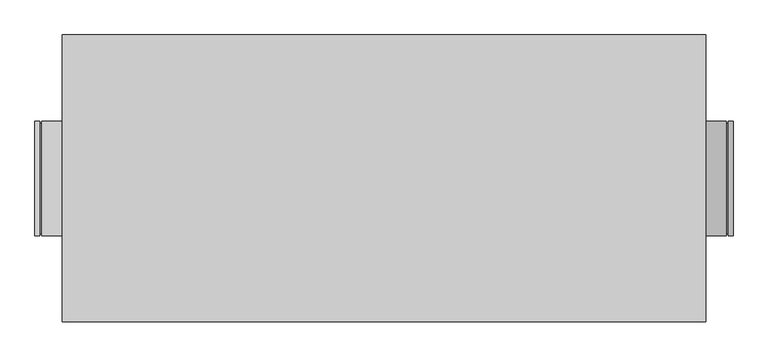
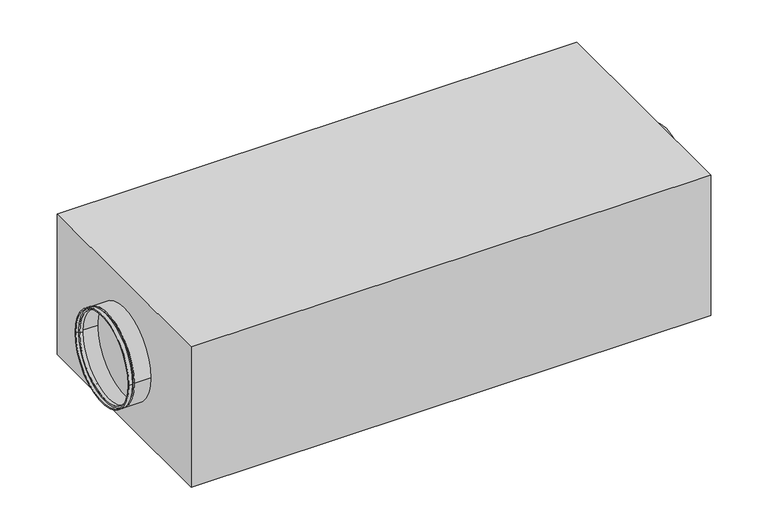
"""IFC4 building model written with IfcOpenShell, lengths in millimetres: proxy geometry."""

import ifcopenshell
import ifcopenshell.guid

model = None  # the IFC model being written
_history = None  # IfcOwnerHistory: only IFC2X3 demands one
_inside = {}  # id of a spatial element -> (the spatial element, [elements in it])
_under = {}  # id of a project, library or spatial element -> (it, [spatial elements below it])
_declared = {}  # id of a project -> (the project, [libraries it declares])
_typed = {}  # id of a type object -> (the type object, [elements of that type])
_made_of = {}  # id of a material, layer set ... -> (it, [elements and type objects made of it])


def new_model(schema):
    """Start an empty IFC model of exactly this schema.

    Asked for "IFC4X3", IfcOpenShell would pick the latest addendum, in which some entities
    have other attributes; the version numbers below select the first issue.
    IFC2X3 requires an IfcOwnerHistory on every rooted entity: one is made here for all.
    """
    global model, _history
    if schema == "IFC4X3":
        model = ifcopenshell.file(schema_version=(4, 3, 0, 0))
    else:
        model = ifcopenshell.file(schema=schema)
    _inside.clear()
    _under.clear()
    _declared.clear()
    _typed.clear()
    _made_of.clear()
    _history = None
    if model.schema == "IFC2X3":
        org = make("IfcOrganization", Name="unknown")
        user = make(
            "IfcPersonAndOrganization",
            ThePerson=make("IfcPerson", FamilyName="unknown"),
            TheOrganization=org,
        )
        app = make(
            "IfcApplication",
            ApplicationDeveloper=org,
            Version="unknown",
            ApplicationFullName="unknown",
            ApplicationIdentifier="unknown",
        )
        _history = make(
            "IfcOwnerHistory",
            OwningUser=user,
            OwningApplication=app,
            ChangeAction="ADDED",
            CreationDate=0,
        )
    return model


def make(cls, **values):
    """One entity of the class cls with the attributes given. An attribute that is None is left unset."""
    return model.create_entity(
        cls, **{name: value for name, value in values.items() if value is not None}
    )


def rooted(cls, **values):
    """An entity with a GlobalId (a new one), such as an element, a storey or a relation."""
    return make(cls, GlobalId=ifcopenshell.guid.new(), OwnerHistory=_history, **values)


def si_unit(unit_type, name, prefix=None):
    """IfcSIUnit, for example si_unit("LENGTHUNIT", "METRE", prefix="MILLI")."""
    return make("IfcSIUnit", UnitType=unit_type, Prefix=prefix, Name=name)


def assignment(units):
    """IfcUnitAssignment: the units of a project."""
    return None if units is None else make("IfcUnitAssignment", Units=units)


def point(xyz):
    """IfcCartesianPoint."""
    return None if xyz is None else make("IfcCartesianPoint", Coordinates=xyz)


def direction(xyz):
    """IfcDirection."""
    return None if xyz is None else make("IfcDirection", DirectionRatios=xyz)


def frame(location, z_axis=None, x_axis=None):
    """IfcAxis2Placement3D, a coordinate frame: its origin and axes. An axis left out is left unset."""
    return make(
        "IfcAxis2Placement3D",
        Location=point(location),
        Axis=direction(z_axis),
        RefDirection=direction(x_axis),
    )


def origin():
    """The frame at (0, 0, 0) with its axes left unset."""
    return frame((0.0, 0.0, 0.0))


def origin_with_axes():
    """The frame at (0, 0, 0) with the z axis (0, 0, 1) and the x axis (1, 0, 0) written out."""
    return frame((0.0, 0.0, 0.0), z_axis=(0.0, 0.0, 1.0), x_axis=(1.0, 0.0, 0.0))


def place(relative_to, where):
    """IfcLocalPlacement: puts the frame where relative to a parent placement (None: the world)."""
    return make(
        "IfcLocalPlacement", PlacementRelTo=relative_to, RelativePlacement=where
    )


def context(
    kind, dimensions, precision=None, world=None, true_north=None, identifier=None
):
    """IfcGeometricRepresentationContext, for example the 3D "Model" context."""
    return make(
        "IfcGeometricRepresentationContext",
        ContextIdentifier=identifier,
        ContextType=kind,
        CoordinateSpaceDimension=dimensions,
        Precision=precision,
        WorldCoordinateSystem=world,
        TrueNorth=true_north,
    )


def project(units=None, contexts=None):
    """IfcProject with its units and contexts."""
    return rooted(
        "IfcProject",
        Name="project",
        RepresentationContexts=contexts,
        UnitsInContext=assignment(units),
    )


def spatial(cls, under=None, at=None, **own):
    """A site, building, storey or space (cls), placed at a placement, below another one or the project."""
    s = rooted(cls, ObjectPlacement=at, **own)
    if under is not None:
        _under.setdefault(under.id(), (under, []))[1].append(s)
    return s


def polyline(points):
    """IfcPolyline through the points."""
    return make("IfcPolyline", Points=[point(p) for p in points])


def circle_curve(where, radius):
    """IfcCircle in the frame where."""
    return make("IfcCircle", Position=where, Radius=radius)


def outline(outer, holes=None, kind="AREA"):
    """IfcArbitraryClosedProfileDef: a profile drawn as a closed curve; with holes, ...WithVoids."""
    if holes is None:
        return make("IfcArbitraryClosedProfileDef", ProfileType=kind, OuterCurve=outer)
    return make(
        "IfcArbitraryProfileDefWithVoids",
        ProfileType=kind,
        OuterCurve=outer,
        InnerCurves=holes,
    )


def extrude(swept, where, along, depth):
    """IfcExtrudedAreaSolid: the profile swept, set in the frame where, extruded along a direction by depth."""
    return make(
        "IfcExtrudedAreaSolid",
        SweptArea=swept,
        Position=where,
        ExtrudedDirection=direction(along),
        Depth=depth,
    )


def shape(context_of_items, identifier, shape_type, items):
    """IfcShapeRepresentation: the items that make up one representation, for example the "Body"."""
    return make(
        "IfcShapeRepresentation",
        ContextOfItems=context_of_items,
        RepresentationIdentifier=identifier,
        RepresentationType=shape_type,
        Items=items,
    )


def source(mapping_origin, context_of_items, identifier, shape_type, items):
    """IfcRepresentationMap: a shape defined once, which mapped items show again and again."""
    return make(
        "IfcRepresentationMap",
        MappingOrigin=mapping_origin,
        MappedRepresentation=shape(context_of_items, identifier, shape_type, items),
    )


def transform(
    local_origin,
    x_axis=None,
    y_axis=None,
    z_axis=None,
    scale=None,
    scale2=None,
    scale3=None,
    uniform=True,
):
    """IfcCartesianTransformationOperator3D, or its non-uniform kind. x_axis, y_axis, z_axis: its Axis1, 2, 3."""
    if uniform:
        return make(
            "IfcCartesianTransformationOperator3D",
            Axis1=direction(x_axis),
            Axis2=direction(y_axis),
            LocalOrigin=point(local_origin),
            Scale=scale,
            Axis3=direction(z_axis),
        )
    return make(
        "IfcCartesianTransformationOperator3DnonUniform",
        Axis1=direction(x_axis),
        Axis2=direction(y_axis),
        LocalOrigin=point(local_origin),
        Scale=scale,
        Axis3=direction(z_axis),
        Scale2=scale2,
        Scale3=scale3,
    )


def mapped(mapping_source, mapping_target):
    """IfcMappedItem: shows the shape of a source again, moved by a transform."""
    return make(
        "IfcMappedItem", MappingSource=mapping_source, MappingTarget=mapping_target
    )


def made_of(thing, what):
    """Note that an element or type object is made of a material, layer set ...; save() writes the relation."""
    if what is not None:
        _made_of.setdefault(what.id(), (what, []))[1].append(thing)
    return thing


def element(
    cls,
    number,
    at=None,
    inside=None,
    cuts=None,
    type_object=None,
    material=None,
    context=None,
    identifier="Body",
    shape_type=None,
    held_by="IfcProductDefinitionShape",
    body=None,
    shapes=None,
    **own,
):
    """One element of the class cls, such as IfcWall. Its Tag is "e" and its number.

    at: its placement. inside: the storey or other place that contains it. cuts: it is an
    opening in that element (IfcRelVoidsElement). A single representation is given by context,
    identifier, shape_type and body (its items); several are given by shapes. held_by: the class
    of the entity that holds the representations. save() writes the other relations.
    """
    e = rooted(cls, Tag="e%d" % number, ObjectPlacement=at, **own)
    if body is not None:
        shapes = [shape(context, identifier, shape_type, body)]
    if shapes is not None:
        e.Representation = make(held_by, Representations=shapes)
    if inside is not None:
        _inside.setdefault(inside.id(), (inside, []))[1].append(e)
    if cuts is not None:
        rooted(
            "IfcRelVoidsElement", RelatingBuildingElement=cuts, RelatedOpeningElement=e
        )
    if type_object is not None:
        _typed.setdefault(type_object.id(), (type_object, []))[1].append(e)
    return made_of(e, material)


def aggregate(whole, parts):
    """IfcRelAggregates: a whole, such as a stair, and the parts it consists of."""
    return rooted("IfcRelAggregates", RelatingObject=whole, RelatedObjects=parts)


def save(model, path):
    """Write the relations noted so far, then the file.

    IfcRelAggregates (storeys below a building ...), IfcRelContainedInSpatialStructure (elements
    in a storey), IfcRelDefinesByType, IfcRelAssociatesMaterial and IfcRelDeclares: one each for
    every whole, place, type object, material and project.
    """
    for whole, parts in _under.values():
        aggregate(whole, parts)
    for where, things in _inside.values():
        rooted(
            "IfcRelContainedInSpatialStructure",
            RelatedElements=things,
            RelatingStructure=where,
        )
    for kind, things in _typed.values():
        rooted("IfcRelDefinesByType", RelatedObjects=things, RelatingType=kind)
    for what, things in _made_of.values():
        rooted("IfcRelAssociatesMaterial", RelatedObjects=things, RelatingMaterial=what)
    for by, libraries in _declared.values():
        rooted("IfcRelDeclares", RelatingContext=by, RelatedDefinitions=libraries)
    model.write(path)


def plane_surface(at):
    """IfcPlane: the flat surface through the origin of the frame at, square to its z axis."""
    return make("IfcPlane", Position=at)


def cylinder_surface(at, radius):
    """IfcCylindricalSurface: all points at the distance radius from the z axis of the frame at."""
    return make("IfcCylindricalSurface", Position=at, Radius=radius)


def revolved_surface(curve, axis_point, axis_direction):
    """IfcSurfaceOfRevolution: the curve turned about the line through axis_point along axis_direction."""
    return make(
        "IfcSurfaceOfRevolution",
        SweptCurve=make("IfcArbitraryOpenProfileDef", ProfileType="CURVE", Curve=curve),
        AxisPosition=make("IfcAxis1Placement", Location=point(axis_point), Axis=direction(axis_direction)),
    )


def advanced_brep(points, edges, surfaces, faces):
    """IfcAdvancedBrep: a solid bounded by faces that lie on surfaces and meet in shared edges.

    An edge is (start, end): straight between two places in points (the first is 0);
    or (start, end, curve); or (start, end, curve, False) where it runs against its curve.
    A face is (place in surfaces, loops), or (place, loops, False) where it looks against
    its surface's normal. A loop lists edges by number (the first is 1), with a minus sign
    where the edge is run from its end to its start. The first loop is the outer one.
    """
    corners = [point(p) for p in points]
    vertices = [make("IfcVertexPoint", VertexGeometry=c) for c in corners]
    made = []
    for start, end, *more in edges:
        made.append(
            make(
                "IfcEdgeCurve",
                EdgeStart=vertices[start],
                EdgeEnd=vertices[end],
                EdgeGeometry=more[0] if more else make("IfcPolyline", Points=[corners[start], corners[end]]),
                SameSense=more[1] if len(more) > 1 else True,
            )
        )
    hull = []
    for where, loops, *sense in faces:
        bounds = []
        for j, loop in enumerate(loops):
            ring = [make("IfcOrientedEdge", EdgeElement=made[abs(k) - 1], Orientation=k > 0) for k in loop]
            bounds.append(
                make(
                    "IfcFaceOuterBound" if j == 0 else "IfcFaceBound",
                    Bound=make("IfcEdgeLoop", EdgeList=ring),
                    Orientation=True,
                )
            )
        hull.append(make("IfcAdvancedFace", Bounds=bounds, FaceSurface=surfaces[where], SameSense=sense[0] if sense else True))
    return make("IfcAdvancedBrep", Outer=make("IfcClosedShell", CfsFaces=hull))


def mechanical_equipment_622d92b7(model_context):
    return source(origin(), model_context, "Body", "SolidModel", [
        advanced_brep(
        [(-750.0, 125.0, 198.0), (-750.0, -125.0, 198.0), (-760.0, -125.0, 198.0), (-760.0, 125.0, 198.0), (-750.0, 120.0, 198.0), (-750.0, -120.0, 198.0), (-745.0, 120.0, 198.0), (-745.0, -120.0, 198.0), (-745.0, 125.0, 198.0), (-745.0, -125.0, 198.0), (-700.0, 125.0, 198.0), (-700.0, -125.0, 198.0), (-700.0, 123.0, 198.0), (-700.0, -123.0, 198.0), (-743.0, 123.0, 198.0), (-743.0, -123.0, 198.0), (-743.0, 118.0, 198.0), (-743.0, -118.0, 198.0), (-752.0, 118.0, 198.0), (-752.0, -118.0, 198.0), (-752.0, 123.0, 198.0), (-752.0, -123.0, 198.0), (-760.0, 123.0, 198.0), (-760.0, -123.0, 198.0)],
        [
            (0, 1, circle_curve(frame((-750.0, 0.0, 198.0), z_axis=(-1.0, 0.0, 0.0), x_axis=(0.0, -1.0000000000000009, 0.0)), 125.0)),
            (1, 2),
            (2, 3, circle_curve(frame((-760.0, 0.0, 198.0), z_axis=(1.0, 0.0, 0.0), x_axis=(0.0, -1.0000000000000009, 0.0)), 125.0)),
            (3, 0),
            (1, 0, circle_curve(frame((-750.0, 0.0, 198.0), z_axis=(-1.0, 0.0, 0.0), x_axis=(0.0, -1.0000000000000009, 0.0)), 125.0)),
            (3, 2, circle_curve(frame((-760.0, 0.0, 198.0), z_axis=(1.0, 0.0, 0.0), x_axis=(0.0, -1.0000000000000009, 0.0)), 125.0)),
            (4, 5, circle_curve(frame((-750.0, 0.0, 198.0), z_axis=(-1.0, 0.0, 0.0), x_axis=(0.0, -1.0000000000000009, 0.0)), 120.0)),
            (5, 1),
            (0, 4),
            (5, 4, circle_curve(frame((-750.0, 0.0, 198.0), z_axis=(-1.0, 0.0, 0.0), x_axis=(0.0, -1.0000000000000009, 0.0)), 120.0)),
            (6, 7, circle_curve(frame((-745.0, 0.0, 198.0), z_axis=(-1.0, 0.0, 0.0), x_axis=(0.0, -1.0000000000000009, 0.0)), 120.0)),
            (7, 5),
            (4, 6),
            (7, 6, circle_curve(frame((-745.0, 0.0, 198.0), z_axis=(-1.0, 0.0, 0.0), x_axis=(0.0, -1.0000000000000009, 0.0)), 120.0)),
            (8, 9, circle_curve(frame((-745.0, 0.0, 198.0), z_axis=(-1.0, 0.0, 0.0), x_axis=(0.0, -1.0000000000000009, 0.0)), 125.0)),
            (9, 7),
            (6, 8),
            (9, 8, circle_curve(frame((-745.0, 0.0, 198.0), z_axis=(-1.0, 0.0, 0.0), x_axis=(0.0, -1.0000000000000009, 0.0)), 125.0)),
            (10, 11, circle_curve(frame((-700.0, 0.0, 198.0), z_axis=(-1.0, 0.0, 0.0), x_axis=(0.0, -1.0000000000000009, 0.0)), 125.0)),
            (11, 9),
            (8, 10),
            (11, 10, circle_curve(frame((-700.0, 0.0, 198.0), z_axis=(-1.0, 0.0, 0.0), x_axis=(0.0, -1.0000000000000009, 0.0)), 125.0)),
            (12, 13, circle_curve(frame((-700.0, 0.0, 198.0), z_axis=(-1.0, 0.0, 0.0), x_axis=(0.0, -1.0000000000000009, 0.0)), 123.0)),
            (13, 11),
            (10, 12),
            (13, 12, circle_curve(frame((-700.0, 0.0, 198.0), z_axis=(-1.0, 0.0, 0.0), x_axis=(0.0, -1.0000000000000009, 0.0)), 123.0)),
            (14, 15, circle_curve(frame((-743.0, 0.0, 198.0), z_axis=(-1.0, 0.0, 0.0), x_axis=(0.0, -1.0000000000000009, 0.0)), 123.0)),
            (15, 13),
            (12, 14),
            (15, 14, circle_curve(frame((-743.0, 0.0, 198.0), z_axis=(-1.0, 0.0, 0.0), x_axis=(0.0, -1.0000000000000009, 0.0)), 123.0)),
            (16, 17, circle_curve(frame((-743.0, 0.0, 198.0), z_axis=(-1.0, 0.0, 0.0), x_axis=(0.0, -1.0000000000000009, 0.0)), 118.0)),
            (17, 15),
            (14, 16),
            (17, 16, circle_curve(frame((-743.0, 0.0, 198.0), z_axis=(-1.0, 0.0, 0.0), x_axis=(0.0, -1.0000000000000009, 0.0)), 118.0)),
            (18, 19, circle_curve(frame((-752.0, 0.0, 198.0), z_axis=(-1.0, 0.0, 0.0), x_axis=(0.0, -1.0000000000000009, 0.0)), 118.0)),
            (19, 17),
            (16, 18),
            (19, 18, circle_curve(frame((-752.0, 0.0, 198.0), z_axis=(-1.0, 0.0, 0.0), x_axis=(0.0, -1.0000000000000009, 0.0)), 118.0)),
            (20, 21, circle_curve(frame((-752.0, 0.0, 198.0), z_axis=(-1.0, 0.0, 0.0), x_axis=(0.0, -1.0000000000000009, 0.0)), 123.0)),
            (21, 19),
            (18, 20),
            (21, 20, circle_curve(frame((-752.0, 0.0, 198.0), z_axis=(-1.0, 0.0, 0.0), x_axis=(0.0, -1.0000000000000009, 0.0)), 123.0)),
            (22, 23, circle_curve(frame((-760.0, 0.0, 198.0), z_axis=(-1.0, 0.0, 0.0), x_axis=(0.0, -1.0000000000000009, 0.0)), 123.0)),
            (23, 21),
            (20, 22),
            (23, 22, circle_curve(frame((-760.0, 0.0, 198.0), z_axis=(-1.0, 0.0, 0.0), x_axis=(0.0, -1.0000000000000009, 0.0)), 123.0)),
            (2, 23),
            (22, 3),
        ],
        [
            cylinder_surface(frame((-2295.0440172, 0.0, 198.0), z_axis=(1.0000000000000004, 0.0, 0.0), x_axis=(0.0, -1.0000000000000009, 0.0)), 125.0),
            plane_surface(frame((-750.0, 0.0, 198.0), z_axis=(1.0, 0.0, 0.0), x_axis=(0.0, -1.0, 0.0))),
            cylinder_surface(frame((-2295.0440172, 0.0, 198.0), z_axis=(1.0000000000000004, 0.0, 0.0), x_axis=(0.0, -1.0000000000000009, 0.0)), 120.0),
            plane_surface(frame((-745.0, 0.0, 198.0), z_axis=(-1.0, 0.0, 0.0), x_axis=(0.0, -1.0, 0.0))),
            plane_surface(frame((-700.0, 0.0, 198.0), z_axis=(1.0, 0.0, 0.0), x_axis=(0.0, -1.0, 0.0))),
            revolved_surface(polyline([(-699.9999999999986, -123.00000000000011, 198.0), (-742.9999999999986, -123.00000000000011, 198.0)]), (-2295.0440172, 0.0, 198.0), (1.0000000000000004, 0.0, 0.0)),
            plane_surface(frame((-743.0, 0.0, 198.0), z_axis=(1.0, 0.0, 0.0), x_axis=(0.0, -1.0, 0.0))),
            revolved_surface(polyline([(-742.9999999999986, -118.0000000000001, 198.0), (-751.9999999999986, -118.0000000000001, 198.0)]), (-2295.0440172, 0.0, 198.0), (1.0000000000000004, 0.0, 0.0)),
            plane_surface(frame((-752.0, 0.0, 198.0), z_axis=(-1.0, 0.0, 0.0), x_axis=(0.0, -1.0, 0.0))),
            revolved_surface(polyline([(-751.9999999999986, -123.00000000000011, 198.0), (-759.9999999999986, -123.00000000000011, 198.0)]), (-2295.0440172, 0.0, 198.0), (1.0000000000000004, 0.0, 0.0)),
            plane_surface(frame((-760.0, 0.0, 198.0), z_axis=(-1.0, 0.0, 0.0), x_axis=(0.0, -1.0, 0.0))),
        ],
        [
            (0, [[1, 2, 3, 4]]),
            (0, [[5, -4, 6, -2]]),
            (1, [[7, 8, -1, 9]]),
            (1, [[10, -9, -5, -8]]),
            (2, [[11, 12, -7, 13]]),
            (2, [[14, -13, -10, -12]]),
            (3, [[15, 16, -11, 17]]),
            (3, [[18, -17, -14, -16]]),
            (0, [[19, 20, -15, 21]]),
            (0, [[22, -21, -18, -20]]),
            (4, [[23, 24, -19, 25]]),
            (4, [[26, -25, -22, -24]]),
            (5, [[27, 28, -23, 29]]),
            (5, [[30, -29, -26, -28]]),
            (6, [[31, 32, -27, 33]]),
            (6, [[34, -33, -30, -32]]),
            (7, [[35, 36, -31, 37]]),
            (7, [[38, -37, -34, -36]]),
            (8, [[39, 40, -35, 41]]),
            (8, [[42, -41, -38, -40]]),
            (9, [[43, 44, -39, 45]]),
            (9, [[46, -45, -42, -44]]),
            (10, [[-3, 47, -43, 48]]),
            (10, [[-6, -48, -46, -47]]),
        ],
    ),
        advanced_brep(
        [(750.0, -125.0, 198.0), (750.0, 125.0, 198.0), (760.0, 125.0, 198.0), (760.0, -125.0, 198.0), (750.0, -120.0, 198.0), (750.0, 120.0, 198.0), (745.0, -120.0, 198.0), (745.0, 120.0, 198.0), (745.0, -125.0, 198.0), (745.0, 125.0, 198.0), (700.0, -125.0, 198.0), (700.0, 125.0, 198.0), (700.0, -123.0, 198.0), (700.0, 123.0, 198.0), (743.0, -123.0, 198.0), (743.0, 123.0, 198.0), (743.0, -118.0, 198.0), (743.0, 118.0, 198.0), (752.0, -118.0, 198.0), (752.0, 118.0, 198.0), (752.0, -123.0, 198.0), (752.0, 123.0, 198.0), (760.0, -123.0, 198.0), (760.0, 123.0, 198.0)],
        [
            (0, 1, circle_curve(frame((750.0, 0.0, 198.0), z_axis=(1.0, 0.0, 0.0), x_axis=(0.0, 1.0, 0.0)), 125.0)),
            (1, 2),
            (2, 3, circle_curve(frame((760.0, 0.0, 198.0), z_axis=(-1.0, 0.0, 0.0), x_axis=(0.0, 1.0, 0.0)), 125.0)),
            (3, 0),
            (1, 0, circle_curve(frame((750.0, 0.0, 198.0), z_axis=(1.0, 0.0, 0.0), x_axis=(0.0, 1.0, 0.0)), 125.0)),
            (3, 2, circle_curve(frame((760.0, 0.0, 198.0), z_axis=(-1.0, 0.0, 0.0), x_axis=(0.0, 1.0, 0.0)), 125.0)),
            (4, 5, circle_curve(frame((750.0, 0.0, 198.0), z_axis=(1.0, 0.0, 0.0), x_axis=(0.0, 1.0, 0.0)), 120.0)),
            (5, 1),
            (0, 4),
            (5, 4, circle_curve(frame((750.0, 0.0, 198.0), z_axis=(1.0, 0.0, 0.0), x_axis=(0.0, 1.0, 0.0)), 120.0)),
            (6, 7, circle_curve(frame((745.0, 0.0, 198.0), z_axis=(1.0, 0.0, 0.0), x_axis=(0.0, 1.0, 0.0)), 120.0)),
            (7, 5),
            (4, 6),
            (7, 6, circle_curve(frame((745.0, 0.0, 198.0), z_axis=(1.0, 0.0, 0.0), x_axis=(0.0, 1.0, 0.0)), 120.0)),
            (8, 9, circle_curve(frame((745.0, 0.0, 198.0), z_axis=(1.0, 0.0, 0.0), x_axis=(0.0, 1.0, 0.0)), 125.0)),
            (9, 7),
            (6, 8),
            (9, 8, circle_curve(frame((745.0, 0.0, 198.0), z_axis=(1.0, 0.0, 0.0), x_axis=(0.0, 1.0, 0.0)), 125.0)),
            (10, 11, circle_curve(frame((700.0, 0.0, 198.0), z_axis=(1.0, 0.0, 0.0), x_axis=(0.0, 1.0, 0.0)), 125.0)),
            (11, 9),
            (8, 10),
            (11, 10, circle_curve(frame((700.0, 0.0, 198.0), z_axis=(1.0, 0.0, 0.0), x_axis=(0.0, 1.0, 0.0)), 125.0)),
            (12, 13, circle_curve(frame((700.0, 0.0, 198.0), z_axis=(1.0, 0.0, 0.0), x_axis=(0.0, 1.0, 0.0)), 123.0)),
            (13, 11),
            (10, 12),
            (13, 12, circle_curve(frame((700.0, 0.0, 198.0), z_axis=(1.0, 0.0, 0.0), x_axis=(0.0, 1.0, 0.0)), 123.0)),
            (14, 15, circle_curve(frame((743.0, 0.0, 198.0), z_axis=(1.0, 0.0, 0.0), x_axis=(0.0, 1.0, 0.0)), 123.0)),
            (15, 13),
            (12, 14),
            (15, 14, circle_curve(frame((743.0, 0.0, 198.0), z_axis=(1.0, 0.0, 0.0), x_axis=(0.0, 1.0, 0.0)), 123.0)),
            (16, 17, circle_curve(frame((743.0, 0.0, 198.0), z_axis=(1.0, 0.0, 0.0), x_axis=(0.0, 1.0, 0.0)), 118.0)),
            (17, 15),
            (14, 16),
            (17, 16, circle_curve(frame((743.0, 0.0, 198.0), z_axis=(1.0, 0.0, 0.0), x_axis=(0.0, 1.0, 0.0)), 118.0)),
            (18, 19, circle_curve(frame((752.0, 0.0, 198.0), z_axis=(1.0, 0.0, 0.0), x_axis=(0.0, 1.0, 0.0)), 118.0)),
            (19, 17),
            (16, 18),
            (19, 18, circle_curve(frame((752.0, 0.0, 198.0), z_axis=(1.0, 0.0, 0.0), x_axis=(0.0, 1.0, 0.0)), 118.0)),
            (20, 21, circle_curve(frame((752.0, 0.0, 198.0), z_axis=(1.0, 0.0, 0.0), x_axis=(0.0, 1.0, 0.0)), 123.0)),
            (21, 19),
            (18, 20),
            (21, 20, circle_curve(frame((752.0, 0.0, 198.0), z_axis=(1.0, 0.0, 0.0), x_axis=(0.0, 1.0, 0.0)), 123.0)),
            (22, 23, circle_curve(frame((760.0, 0.0, 198.0), z_axis=(1.0, 0.0, 0.0), x_axis=(0.0, 1.0, 0.0)), 123.0)),
            (23, 21),
            (20, 22),
            (23, 22, circle_curve(frame((760.0, 0.0, 198.0), z_axis=(1.0, 0.0, 0.0), x_axis=(0.0, 1.0, 0.0)), 123.0)),
            (2, 23),
            (22, 3),
        ],
        [
            cylinder_surface(frame((2295.0440172, 0.0, 198.0), z_axis=(-1.0, 0.0, 0.0), x_axis=(0.0, 1.0, 0.0)), 125.0),
            plane_surface(frame((750.0, 0.0, 198.0), z_axis=(-1.0, 0.0, 0.0), x_axis=(0.0, 1.0, 0.0))),
            cylinder_surface(frame((2295.0440172, 0.0, 198.0), z_axis=(-1.0, 0.0, 0.0), x_axis=(0.0, 1.0, 0.0)), 120.0),
            plane_surface(frame((745.0, 0.0, 198.0), z_axis=(1.0, 0.0, 0.0), x_axis=(0.0, 1.0, 0.0))),
            plane_surface(frame((700.0, 0.0, 198.0), z_axis=(-1.0, 0.0, 0.0), x_axis=(0.0, 1.0, 0.0))),
            revolved_surface(polyline([(700.0, 123.0, 198.0), (743.0, 123.0, 198.0)]), (2295.0440172, 0.0, 198.0), (-1.0, 0.0, 0.0)),
            plane_surface(frame((743.0, 0.0, 198.0), z_axis=(-1.0, 0.0, 0.0), x_axis=(0.0, 1.0, 0.0))),
            revolved_surface(polyline([(743.0, 118.0, 198.0), (752.0, 118.0, 198.0)]), (2295.0440172, 0.0, 198.0), (-1.0, 0.0, 0.0)),
            plane_surface(frame((752.0, 0.0, 198.0), z_axis=(1.0, 0.0, 0.0), x_axis=(0.0, 1.0, 0.0))),
            revolved_surface(polyline([(752.0, 123.0, 198.0), (760.0, 123.0, 198.0)]), (2295.0440172, 0.0, 198.0), (-1.0, 0.0, 0.0)),
            plane_surface(frame((760.0, 0.0, 198.0), z_axis=(1.0, 0.0, 0.0), x_axis=(0.0, 1.0, 0.0))),
        ],
        [
            (0, [[1, 2, 3, 4]]),
            (0, [[5, -4, 6, -2]]),
            (1, [[7, 8, -1, 9]]),
            (1, [[10, -9, -5, -8]]),
            (2, [[11, 12, -7, 13]]),
            (2, [[14, -13, -10, -12]]),
            (3, [[15, 16, -11, 17]]),
            (3, [[18, -17, -14, -16]]),
            (0, [[19, 20, -15, 21]]),
            (0, [[22, -21, -18, -20]]),
            (4, [[23, 24, -19, 25]]),
            (4, [[26, -25, -22, -24]]),
            (5, [[27, 28, -23, 29]]),
            (5, [[30, -29, -26, -28]]),
            (6, [[31, 32, -27, 33]]),
            (6, [[34, -33, -30, -32]]),
            (7, [[35, 36, -31, 37]]),
            (7, [[38, -37, -34, -36]]),
            (8, [[39, 40, -35, 41]]),
            (8, [[42, -41, -38, -40]]),
            (9, [[43, 44, -39, 45]]),
            (9, [[46, -45, -42, -44]]),
            (10, [[-3, 47, -43, 48]]),
            (10, [[-6, -48, -46, -47]]),
        ],
    ),
        extrude(outline(polyline([(-700.0, -312.5), (-700.0, 312.5), (700.0, 312.5), (700.0, -312.5), (-700.0, -312.5)])), origin_with_axes(), (0.0, 0.0, 1.0), 400.0),
    ])


if __name__ == "__main__":
    model = new_model("IFC4")
    model_context = context("Model", 3, world=origin())
    ifc_project = project(units=[si_unit("LENGTHUNIT", "METRE", prefix="MILLI")], contexts=[model_context])
    site = spatial("IfcSite", under=ifc_project)
    building = spatial("IfcBuilding", under=site)
    placement = place(None, origin())
    mechanical_equipment_shape = mechanical_equipment_622d92b7(model_context)
    element("IfcBuildingElementProxy", 1, Name="Mechanical Equipment", at=placement, inside=building, context=model_context, shape_type="MappedRepresentation", body=[
        mapped(mechanical_equipment_shape, transform((0.0, 0.0, 0.0), x_axis=(1.0, 0.0, 0.0), y_axis=(0.0, 1.0, 0.0), z_axis=(0.0, 0.0, 1.0))),
    ])
    save(model, "model.ifc")
